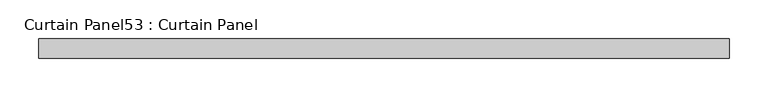
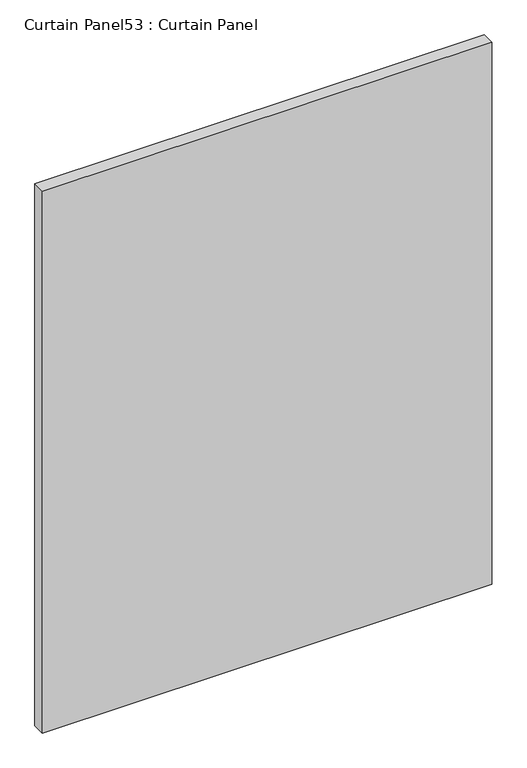
"""IFC4 building model written with IfcOpenShell, lengths in millimetres: plate geometry, Curtain Panel53 : Curtain Panel."""

from ifc_helpers import new_model, si_unit, frame, origin, place, context, project, spatial, polyline, outline, extrude, source, transform, mapped, element, save


def curtain_panel53_curtain_panel_5dff1291(model_context):
    return source(origin(), model_context, "Body", "SweptSolid", [
        extrude(outline(polyline([(-40075.7811382, -3859.9631042), (-40971.1309118, -3859.9631042), (-40971.1309118, -3834.5631042), (-40075.7811382, -3834.5631042), (-40075.7811382, -3859.9631042)])), frame((0.0, 0.0, 2447.925), z_axis=(0.0, 0.0, 1.0), x_axis=(1.0, 0.0, 0.0)), (0.0, 0.0, 1.0), 1141.8462759),
    ])


if __name__ == "__main__":
    model = new_model("IFC4")
    model_context = context("Model", 3, world=origin())
    ifc_project = project(units=[si_unit("LENGTHUNIT", "METRE", prefix="MILLI")], contexts=[model_context])
    site = spatial("IfcSite", under=ifc_project)
    building = spatial("IfcBuilding", under=site)
    placement = place(None, origin())
    curtain_panel53_curtain_panel_shape = curtain_panel53_curtain_panel_5dff1291(model_context)
    element("IfcPlate", 1, ObjectType="Curtain Panel53 : Curtain Panel", at=placement, inside=building, context=model_context, shape_type="MappedRepresentation", body=[
        mapped(curtain_panel53_curtain_panel_shape, transform((0.0, 0.0, 0.0), x_axis=(1.0, 0.0, 0.0), y_axis=(0.0, 1.0, 0.0), z_axis=(0.0, 0.0, 1.0))),
    ])
    save(model, "model.ifc")
